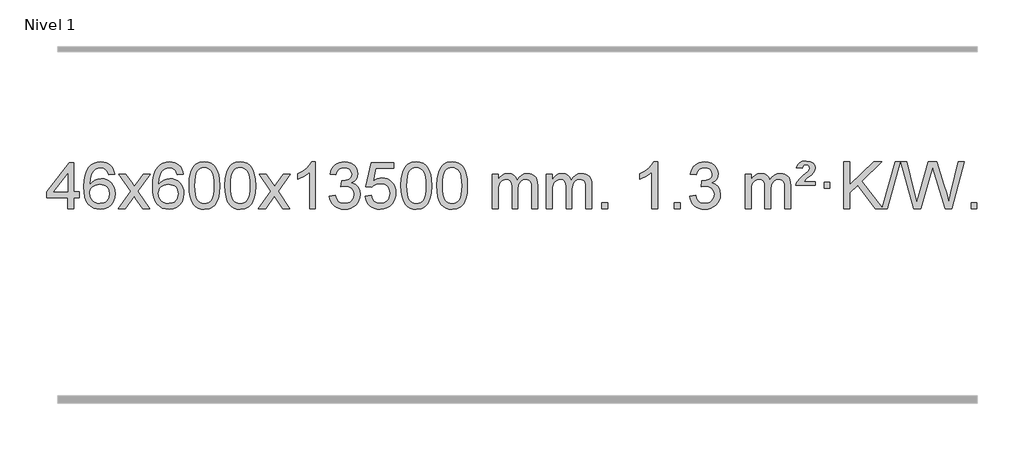
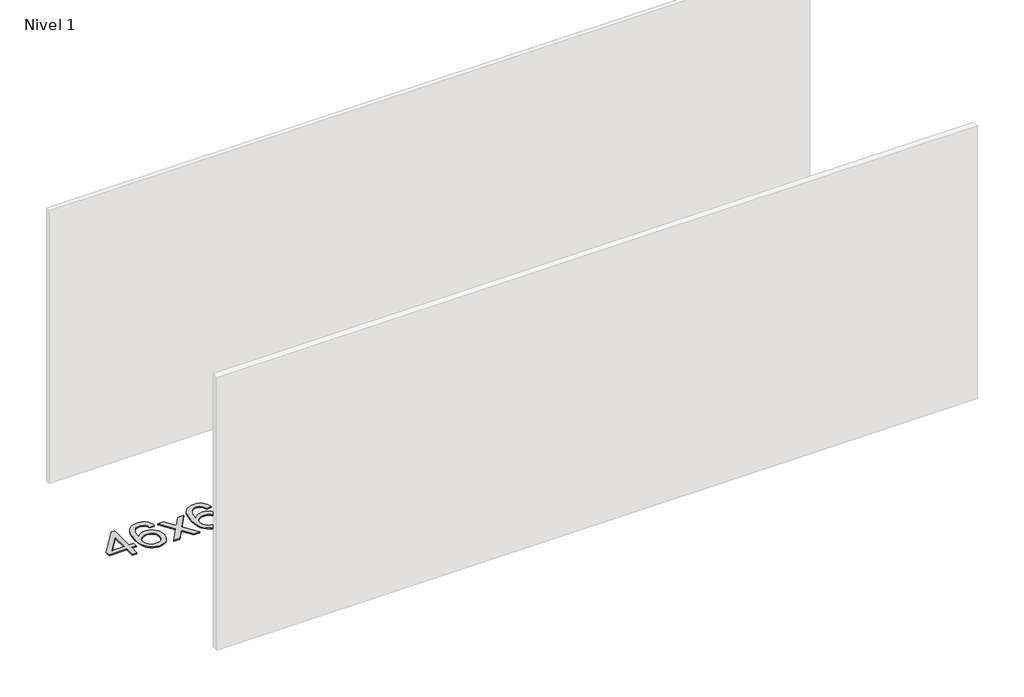
# One storey, part 7 of 7: 1 proxy.
"""IFC4 building model written with IfcOpenShell, lengths in millimetres."""

from ifc_helpers import new_model, si_unit, origin, origin_with_axes, place, context, project, spatial, polyline, outline, extrude, element, save

model = new_model("IFC4")

# Units and contexts
model_context = context("Model", 3, world=origin())
ifc_project = project(units=[si_unit("LENGTHUNIT", "METRE", prefix="MILLI")], contexts=[model_context])

# Site, building, storey
site = spatial("IfcSite", under=ifc_project)
building = spatial("IfcBuilding", under=site)
storey = spatial("IfcBuildingStorey", under=building, Name="Nivel 1", Elevation=0.0)

# Proxy
placement = place(None, origin())
element("IfcBuildingElementProxy", 1, Name="Texto de modelo 1", ObjectType="Texto de modelo 1", at=placement, inside=storey, context=model_context, shape_type="SweptSolid", body=[
    extrude(outline(polyline([(-6446.7519314, 2608.420547), (-6446.7519314, 2702.5983378), (-6628.8289935, 2702.5983378), (-6628.8289935, 2752.8264928), (-6434.1948926, 3003.9672682), (-6396.5237763, 3003.9672682), (-6396.5237763, 2752.8264928), (-6346.2956212, 2752.8264928), (-6346.2956212, 2702.5983378), (-6396.5237763, 2702.5983378), (-6396.5237763, 2608.420547), (-6446.7519314, 2608.420547)]), holes=[polyline([(-6446.7519314, 2752.8264928), (-6446.7519314, 2908.0236439), (-6567.0248183, 2752.8264928), (-6446.7519314, 2752.8264928)])]), origin_with_axes(), (0.0, 0.0, 1.0), 10.0),
    extrude(outline(polyline([(-6044.9266908, 2903.5109581), (-6095.1548459, 2897.2324387), (-6103.2482498, 2922.125787), (-6114.1866077, 2939.1219352), (-6136.970766, 2954.7937082), (-6164.5128647, 2960.0176325), (-6187.8611086, 2956.9764747), (-6209.8359265, 2947.8530012), (-6228.7082728, 2928.6372983), (-6244.1225284, 2902.1865829), (-6254.5335889, 2864.772984), (-6258.3963499, 2812.6686307), (-6238.2486793, 2836.1762902), (-6214.1033576, 2852.7432427), (-6187.3092857, 2862.565692), (-6159.215364, 2865.8398418), (-6135.0823051, 2863.601893), (-6112.8131816, 2856.8880466), (-6092.4079936, 2845.6983025), (-6073.8667411, 2830.0326609), (-6058.4586168, 2810.8230894), (-6047.4528138, 2789.0015557), (-6040.849332, 2764.5680599), (-6038.6481714, 2737.5226018), (-6042.7929752, 2701.5560055), (-6055.2273867, 2668.213634), (-6074.9213361, 2639.9357713), (-6100.8447541, 2619.1627013), (-6131.820418, 2606.397196), (-6166.6711057, 2602.1420276), (-6196.6136344, 2604.9624563), (-6223.6560268, 2613.4237421), (-6247.7982827, 2627.5258853), (-6269.0404022, 2647.2688857), (-6286.3584472, 2673.4866092), (-6298.7284793, 2707.0129217), (-6306.1504985, 2747.8478232), (-6308.6245049, 2795.9913136), (-6305.8776527, 2849.9657337), (-6297.637096, 2896.0306908), (-6283.9028349, 2934.1861851), (-6264.6748692, 2964.4322165), (-6243.8343542, 2984.4756538), (-6219.6706385, 2998.7923948), (-6192.1837221, 3007.3824394), (-6161.373605, 3010.2457876), (-6138.2399589, 3008.4738227), (-6117.301342, 3003.1579278), (-6098.5577543, 2994.2981031), (-6082.0091959, 2981.8943485), (-6068.1032565, 2966.3635969), (-6057.2875258, 2948.1227814), (-6049.5620039, 2927.1719017), (-6044.9266908, 2903.5109581)]), holes=[polyline([(-6258.3963499, 2738.3074168), (-6255.4900821, 2716.0505561), (-6246.7712788, 2694.7992395), (-6233.2332214, 2676.527767), (-6215.8691912, 2663.2104388), (-6194.9121802, 2655.0802467), (-6170.5951803, 2652.3701827), (-6137.4490126, 2657.9865145), (-6123.5338761, 2665.0069292), (-6111.3907046, 2674.8355099), (-6101.5406642, 2687.0737176), (-6094.504921, 2701.3230135), (-6088.8763265, 2735.8548701), (-6094.4313446, 2769.0010379), (-6101.3751173, 2782.6218688), (-6111.096399, 2794.274531), (-6123.2763587, 2803.6095366), (-6137.5961654, 2810.2773978), (-6172.6553195, 2815.6116867), (-6205.7524363, 2810.2773978), (-6233.4294251, 2794.274531), (-6244.3524547, 2782.7751529), (-6252.1546187, 2769.6141746), (-6256.8359171, 2754.7915958), (-6258.3963499, 2738.3074168)])]), origin_with_axes(), (0.0, 0.0, 1.0), 10.0),
    extrude(outline(polyline([(-6013.5340939, 2608.420547), (-5906.2106531, 2756.7505675), (-6007.2555745, 2903.5109581), (-5946.8248254, 2903.5109581), (-5898.0681983, 2832.877615), (-5875.3085655, 2799.5229808), (-5855.5900906, 2826.7952993), (-5800.0644348, 2903.5109581), (-5739.6336857, 2903.5109581), (-5845.7799041, 2756.7505675), (-5743.5577603, 2608.420547), (-5803.9885094, 2608.420547), (-5865.498379, 2697.5951426), (-5876.7800935, 2713.8800523), (-5953.1033448, 2608.420547), (-6013.5340939, 2608.420547)])), origin_with_axes(), (0.0, 0.0, 1.0), 10.0),
    extrude(outline(polyline([(-5454.7458687, 2903.5109581), (-5504.9740237, 2897.2324387), (-5513.0674276, 2922.125787), (-5524.0057856, 2939.1219352), (-5546.7899439, 2954.7937082), (-5574.3320426, 2960.0176325), (-5597.6802865, 2956.9764747), (-5619.6551044, 2947.8530012), (-5638.5274507, 2928.6372983), (-5653.9417063, 2902.1865829), (-5664.3527668, 2864.772984), (-5668.2155277, 2812.6686307), (-5648.0678571, 2836.1762902), (-5623.9225355, 2852.7432427), (-5597.1284635, 2862.565692), (-5569.0345418, 2865.8398418), (-5544.9014829, 2863.601893), (-5522.6323595, 2856.8880466), (-5502.2271715, 2845.6983025), (-5483.6859189, 2830.0326609), (-5468.2777947, 2810.8230894), (-5457.2719917, 2789.0015557), (-5450.6685099, 2764.5680599), (-5448.4673493, 2737.5226018), (-5452.6121531, 2701.5560055), (-5465.0465645, 2668.213634), (-5484.740514, 2639.9357713), (-5510.6639319, 2619.1627013), (-5541.6395959, 2606.397196), (-5576.4902836, 2602.1420276), (-5606.4328123, 2604.9624563), (-5633.4752046, 2613.4237421), (-5657.6174606, 2627.5258853), (-5678.8595801, 2647.2688857), (-5696.177625, 2673.4866092), (-5708.5476571, 2707.0129217), (-5715.9696764, 2747.8478232), (-5718.4436828, 2795.9913136), (-5715.6968306, 2849.9657337), (-5707.4562739, 2896.0306908), (-5693.7220127, 2934.1861851), (-5674.4940471, 2964.4322165), (-5653.6535321, 2984.4756538), (-5629.4898164, 2998.7923948), (-5602.0029, 3007.3824394), (-5571.1927829, 3010.2457876), (-5548.0591367, 3008.4738227), (-5527.1205198, 3003.1579278), (-5508.3769322, 2994.2981031), (-5491.8283738, 2981.8943485), (-5477.9224344, 2966.3635969), (-5467.1067037, 2948.1227814), (-5459.3811818, 2927.1719017), (-5454.7458687, 2903.5109581)]), holes=[polyline([(-5668.2155277, 2738.3074168), (-5665.30926, 2716.0505561), (-5656.5904567, 2694.7992395), (-5643.0523993, 2676.527767), (-5625.6883691, 2663.2104388), (-5604.7313581, 2655.0802467), (-5580.4143582, 2652.3701827), (-5547.2681904, 2657.9865145), (-5533.353054, 2665.0069292), (-5521.2098825, 2674.8355099), (-5511.359842, 2687.0737176), (-5504.3240989, 2701.3230135), (-5498.6955043, 2735.8548701), (-5504.2505225, 2769.0010379), (-5511.1942951, 2782.6218688), (-5520.9155769, 2794.274531), (-5533.0955366, 2803.6095366), (-5547.4153432, 2810.2773978), (-5582.4744974, 2815.6116867), (-5615.5716142, 2810.2773978), (-5643.248603, 2794.274531), (-5654.1716326, 2782.7751529), (-5661.9737965, 2769.6141746), (-5666.6550949, 2754.7915958), (-5668.2155277, 2738.3074168)])]), origin_with_axes(), (0.0, 0.0, 1.0), 10.0),
    extrude(outline(polyline([(-5404.5177136, 2806.0958057), (-5400.8266309, 2870.4138412), (-5389.7533828, 2921.7088541), (-5371.408334, 2960.7656593), (-5359.550271, 2975.9990395), (-5345.901849, 2988.3690716), (-5330.4170827, 2997.9401349), (-5313.0499869, 3004.7766086), (-5272.6688065, 3010.2457876), (-5241.717668, 3007.008426), (-5214.003891, 2997.2963414), (-5190.8273253, 2981.4896783), (-5173.4878206, 2959.9685816), (-5160.3912216, 2932.9169922), (-5149.9433729, 2900.5188512), (-5143.1007678, 2859.3773814), (-5140.8198994, 2806.0958057), (-5144.4741939, 2742.1456523), (-5155.4370774, 2690.9732667), (-5173.6717616, 2651.8796734), (-5185.5022334, 2636.6003078), (-5199.1414584, 2624.1658964), (-5214.6446188, 2614.5304538), (-5232.066897, 2607.6479948), (-5272.6688065, 2602.1420276), (-5300.3335326, 2604.5332606), (-5324.8589989, 2611.7069595), (-5346.2452055, 2623.6631243), (-5364.4921525, 2640.4017551), (-5382.0033355, 2670.6600492), (-5394.5113233, 2708.3618224), (-5402.016116, 2753.5070745), (-5404.5177136, 2806.0958057)]), holes=[polyline([(-5354.2895585, 2806.1939076), (-5352.8180305, 2762.5293805), (-5348.4034466, 2727.1851178), (-5341.0458067, 2700.1611196), (-5330.7451108, 2681.4573858), (-5318.2861739, 2668.7317344), (-5304.4538109, 2659.6419835), (-5289.2480218, 2654.1881329), (-5272.6688065, 2652.3701827), (-5256.0895913, 2654.1942643), (-5240.8838021, 2659.6665089), (-5227.0514391, 2668.7869167), (-5214.5925022, 2681.5554876), (-5204.2918063, 2700.2898783), (-5196.9341664, 2727.3077451), (-5192.5195825, 2762.6090882), (-5191.0480545, 2806.1939076), (-5192.4705316, 2848.7026722), (-5196.7379627, 2883.4246011), (-5203.8503479, 2910.3596945), (-5213.8076873, 2929.5079524), (-5226.0581577, 2942.8559375), (-5240.0499363, 2952.3902125), (-5255.7830229, 2958.1107775), (-5273.2574177, 2960.0176325), (-5289.7507938, 2958.3376381), (-5304.6990656, 2953.2976548), (-5318.1022329, 2944.8976825), (-5329.9602959, 2933.1377214), (-5340.6043483, 2912.291075), (-5348.2072429, 2884.1848906), (-5352.7689796, 2848.8191681), (-5354.2895585, 2806.1939076)])]), origin_with_axes(), (0.0, 0.0, 1.0), 10.0),
    extrude(outline(polyline([(-5096.8702638, 2806.0958057), (-5093.1791811, 2870.4138412), (-5082.105933, 2921.7088541), (-5063.7608842, 2960.7656593), (-5051.9028212, 2975.9990395), (-5038.2543992, 2988.3690716), (-5022.7696329, 2997.9401349), (-5005.402537, 3004.7766086), (-4965.0213567, 3010.2457876), (-4934.0702182, 3007.008426), (-4906.3564412, 2997.2963414), (-4883.1798755, 2981.4896783), (-4865.8403708, 2959.9685816), (-4852.7437718, 2932.9169922), (-4842.2959231, 2900.5188512), (-4835.453318, 2859.3773814), (-4833.1724496, 2806.0958057), (-4836.8267441, 2742.1456523), (-4847.7896275, 2690.9732667), (-4866.0243118, 2651.8796734), (-4877.8547836, 2636.6003078), (-4891.4940086, 2624.1658964), (-4906.997169, 2614.5304538), (-4924.4194471, 2607.6479948), (-4965.0213567, 2602.1420276), (-4992.6860827, 2604.5332606), (-5017.2115491, 2611.7069595), (-5038.5977557, 2623.6631243), (-5056.8447027, 2640.4017551), (-5074.3558856, 2670.6600492), (-5086.8638735, 2708.3618224), (-5094.3686662, 2753.5070745), (-5096.8702638, 2806.0958057)]), holes=[polyline([(-5046.6421087, 2806.1939076), (-5045.1705807, 2762.5293805), (-5040.7559968, 2727.1851178), (-5033.3983568, 2700.1611196), (-5023.097661, 2681.4573858), (-5010.6387241, 2668.7317344), (-4996.8063611, 2659.6419835), (-4981.6005719, 2654.1881329), (-4965.0213567, 2652.3701827), (-4948.4421414, 2654.1942643), (-4933.2363523, 2659.6665089), (-4919.4039893, 2668.7869167), (-4906.9450524, 2681.5554876), (-4896.6443565, 2700.2898783), (-4889.2867166, 2727.3077451), (-4884.8721327, 2762.6090882), (-4883.4006047, 2806.1939076), (-4884.8230817, 2848.7026722), (-4889.0905129, 2883.4246011), (-4896.2028981, 2910.3596945), (-4906.1602375, 2929.5079524), (-4918.4107079, 2942.8559375), (-4932.4024864, 2952.3902125), (-4948.1355731, 2958.1107775), (-4965.6099679, 2960.0176325), (-4982.103344, 2958.3376381), (-4997.0516157, 2953.2976548), (-5010.4547831, 2944.8976825), (-5022.3128461, 2933.1377214), (-5032.9568985, 2912.291075), (-5040.559793, 2884.1848906), (-5045.1215298, 2848.8191681), (-5046.6421087, 2806.1939076)])]), origin_with_axes(), (0.0, 0.0, 1.0), 10.0),
    extrude(outline(polyline([(-4808.0583721, 2608.420547), (-4700.7349313, 2756.7505675), (-4801.7798527, 2903.5109581), (-4741.3491036, 2903.5109581), (-4692.5924765, 2832.877615), (-4669.8328437, 2799.5229808), (-4650.1143688, 2826.7952993), (-4594.588713, 2903.5109581), (-4534.1579639, 2903.5109581), (-4640.3041823, 2756.7505675), (-4538.0820385, 2608.420547), (-4598.5127876, 2608.420547), (-4660.0226572, 2697.5951426), (-4671.3043717, 2713.8800523), (-4747.627623, 2608.420547), (-4808.0583721, 2608.420547)])), origin_with_axes(), (0.0, 0.0, 1.0), 10.0),
    extrude(outline(polyline([(-4318.3338601, 2608.420547), (-4368.5620152, 2608.420547), (-4368.5620152, 2921.5617013), (-4389.5312889, 2904.6023413), (-4416.1414199, 2887.6675068), (-4469.0183253, 2862.3081746), (-4469.0183253, 2909.7894775), (-4429.5691127, 2931.2492605), (-4395.3928753, 2956.780271), (-4368.4516506, 2983.9299622), (-4350.7074757, 3010.2457876), (-4318.3338601, 3010.2457876), (-4318.3338601, 2608.420547)])), origin_with_axes(), (0.0, 0.0, 1.0), 10.0),
    extrude(outline(polyline([(-4199.0419918, 2715.1553765), (-4148.8138367, 2721.4338959), (-4137.5689104, 2689.8696207), (-4121.1000597, 2668.5569905), (-4098.5979444, 2656.4168846), (-4069.2532239, 2652.3701827), (-4034.8194691, 2657.9374636), (-4020.5456477, 2664.8965646), (-4008.2338636, 2674.6393061), (-3991.2377154, 2699.5571799), (-3985.5723327, 2729.7725545), (-3991.1886645, 2758.4550874), (-4008.0376599, 2781.7174922), (-4033.5441449, 2797.1317478), (-4065.1329455, 2802.269833), (-4100.3515152, 2796.7761285), (-4094.7597089, 2847.0042836), (-4086.7153559, 2846.4156724), (-4056.6226087, 2850.020916), (-4029.7181721, 2860.8366466), (-4018.6449241, 2869.0158897), (-4010.7354612, 2879.1326445), (-4005.9897835, 2891.1869112), (-4004.4078909, 2905.1786898), (-4008.9941531, 2926.8714648), (-4022.7529397, 2944.4684869), (-4043.7467389, 2956.1303461), (-4070.0380388, 2960.0176325), (-4096.3783897, 2956.0935579), (-4117.9117491, 2944.3213341), (-4133.632573, 2924.700961), (-4142.5353173, 2897.2324387), (-4192.7634724, 2903.5109581), (-4186.8099154, 2927.4907328), (-4177.9746162, 2948.6132907), (-4166.2575747, 2966.8786317), (-4151.6587908, 2982.286756), (-4134.6381172, 2994.5188323), (-4115.6554062, 3003.2560297), (-4094.710658, 3008.4983481), (-4071.8038724, 3010.2457876), (-4040.2273345, 3006.7999596), (-4011.2259705, 2996.4624755), (-3986.7740806, 2980.1530404), (-3968.8459647, 2958.7913592), (-3957.846293, 2934.1800537), (-3954.1797358, 2908.1217457), (-3957.662352, 2883.8415341), (-3968.1102007, 2861.8176653), (-3985.376129, 2843.0556835), (-4009.3129841, 2828.5611329), (-3977.8713363, 2815.8569414), (-3954.5721433, 2794.22548), (-3940.151169, 2764.8439714), (-3935.3441776, 2728.8896377), (-3937.7476733, 2703.4076782), (-3944.9581605, 2679.9368069), (-3956.975639, 2658.4770238), (-3973.8001089, 2639.028329), (-3994.2972674, 2622.8905722), (-4017.3328116, 2611.363603), (-4042.9067417, 2604.4474215), (-4071.0190575, 2602.1420276), (-4096.4274406, 2604.1101963), (-4119.5794808, 2610.0147023), (-4140.4751782, 2619.8555457), (-4159.1145326, 2633.6327264), (-4174.743386, 2650.5369041), (-4186.6075804, 2669.7587383), (-4194.7071156, 2691.2982292), (-4199.0419918, 2715.1553765)])), origin_with_axes(), (0.0, 0.0, 1.0), 10.0),
    extrude(outline(polyline([(-3891.394542, 2715.1553765), (-3841.1663869, 2721.4338959), (-3831.9448115, 2691.2798351), (-3815.8561056, 2669.6851619), (-3792.9738455, 2656.6989275), (-3763.3716076, 2652.3701827), (-3744.2417439, 2653.8754332), (-3727.368223, 2658.3911847), (-3712.7510451, 2665.9174372), (-3700.3902101, 2676.4541906), (-3690.5616294, 2689.480279), (-3683.5412147, 2704.4745359), (-3677.9248829, 2740.3675559), (-3683.1855954, 2774.1636486), (-3689.7614861, 2788.0818507), (-3698.967733, 2800.0134901), (-3710.834993, 2809.5845533), (-3725.393923, 2816.4210271), (-3762.5867927, 2821.8902061), (-3786.9528435, 2819.7074396), (-3806.6835812, 2813.1591401), (-3822.4411933, 2803.1282243), (-3834.8878675, 2790.4976092), (-3885.1160226, 2796.7761285), (-3841.1663869, 3003.9672682), (-3646.532286, 3003.9672682), (-3646.532286, 2953.7391131), (-3800.5522146, 2953.7391131), (-3822.0365231, 2843.080209), (-3804.3107423, 2855.7844006), (-3786.1557659, 2864.8588231), (-3767.5715937, 2870.3034766), (-3748.558226, 2872.1183612), (-3724.097139, 2869.8681496), (-3701.6287461, 2863.117515), (-3681.1530474, 2851.8664573), (-3662.6700428, 2836.1149766), (-3647.3692175, 2816.8256973), (-3636.4400566, 2794.961244), (-3629.88256, 2770.5216168), (-3627.6967278, 2743.5068156), (-3629.6648965, 2717.4852958), (-3635.5694025, 2693.2786606), (-3645.4102459, 2670.8869098), (-3659.1874266, 2650.3100435), (-3680.0585985, 2629.2365366), (-3704.4123865, 2614.1840316), (-3732.2487908, 2605.1525286), (-3763.5678114, 2602.1420276), (-3789.4881636, 2604.0764738), (-3812.9007869, 2609.8798123), (-3833.8056813, 2619.552043), (-3852.2028467, 2633.0931662), (-3867.5098034, 2649.8287312), (-3879.1440715, 2669.084288), (-3887.105651, 2690.8598364), (-3891.394542, 2715.1553765)])), origin_with_axes(), (0.0, 0.0, 1.0), 10.0),
    extrude(outline(polyline([(-3583.7470921, 2806.0958057), (-3580.0560094, 2870.4138412), (-3568.9827614, 2921.7088541), (-3550.6377126, 2960.7656593), (-3538.7796496, 2975.9990395), (-3525.1312276, 2988.3690716), (-3509.6464612, 2997.9401349), (-3492.2793654, 3004.7766086), (-3451.8981851, 3010.2457876), (-3420.9470465, 3007.008426), (-3393.2332696, 2997.2963414), (-3370.0567039, 2981.4896783), (-3352.7171992, 2959.9685816), (-3339.6206001, 2932.9169922), (-3329.1727515, 2900.5188512), (-3322.3301463, 2859.3773814), (-3320.049278, 2806.0958057), (-3323.7035725, 2742.1456523), (-3334.6664559, 2690.9732667), (-3352.9011401, 2651.8796734), (-3364.731612, 2636.6003078), (-3378.3708369, 2624.1658964), (-3393.8739974, 2614.5304538), (-3411.2962755, 2607.6479948), (-3451.8981851, 2602.1420276), (-3479.5629111, 2604.5332606), (-3504.0883774, 2611.7069595), (-3525.4745841, 2623.6631243), (-3543.721531, 2640.4017551), (-3561.232714, 2670.6600492), (-3573.7407019, 2708.3618224), (-3581.2454946, 2753.5070745), (-3583.7470921, 2806.0958057)]), holes=[polyline([(-3533.518937, 2806.1939076), (-3532.0474091, 2762.5293805), (-3527.6328251, 2727.1851178), (-3520.2751852, 2700.1611196), (-3509.9744894, 2681.4573858), (-3497.5155525, 2668.7317344), (-3483.6831894, 2659.6419835), (-3468.4774003, 2654.1881329), (-3451.8981851, 2652.3701827), (-3435.3189698, 2654.1942643), (-3420.1131807, 2659.6665089), (-3406.2808176, 2668.7869167), (-3393.8218807, 2681.5554876), (-3383.5211849, 2700.2898783), (-3376.163545, 2727.3077451), (-3371.748961, 2762.6090882), (-3370.2774331, 2806.1939076), (-3371.6999101, 2848.7026722), (-3375.9673412, 2883.4246011), (-3383.0797265, 2910.3596945), (-3393.0370658, 2929.5079524), (-3405.2875363, 2942.8559375), (-3419.2793148, 2952.3902125), (-3435.0124015, 2958.1107775), (-3452.4867962, 2960.0176325), (-3468.9801724, 2958.3376381), (-3483.9284441, 2953.2976548), (-3497.3316115, 2944.8976825), (-3509.1896744, 2933.1377214), (-3519.8337268, 2912.291075), (-3527.4366214, 2884.1848906), (-3531.9983581, 2848.8191681), (-3533.518937, 2806.1939076)])]), origin_with_axes(), (0.0, 0.0, 1.0), 10.0),
    extrude(outline(polyline([(-3276.0996423, 2806.0958057), (-3272.4085596, 2870.4138412), (-3261.3353115, 2921.7088541), (-3242.9902627, 2960.7656593), (-3231.1321997, 2975.9990395), (-3217.4837777, 2988.3690716), (-3201.9990114, 2997.9401349), (-3184.6319156, 3004.7766086), (-3144.2507352, 3010.2457876), (-3113.2995967, 3007.008426), (-3085.5858197, 2997.2963414), (-3062.409254, 2981.4896783), (-3045.0697493, 2959.9685816), (-3031.9731503, 2932.9169922), (-3021.5253016, 2900.5188512), (-3014.6826965, 2859.3773814), (-3012.4018281, 2806.0958057), (-3016.0561226, 2742.1456523), (-3027.0190061, 2690.9732667), (-3045.2536903, 2651.8796734), (-3057.0841621, 2636.6003078), (-3070.7233871, 2624.1658964), (-3086.2265475, 2614.5304538), (-3103.6488257, 2607.6479948), (-3144.2507352, 2602.1420276), (-3171.9154613, 2604.5332606), (-3196.4409276, 2611.7069595), (-3217.8271343, 2623.6631243), (-3236.0740812, 2640.4017551), (-3253.5852642, 2670.6600492), (-3266.093252, 2708.3618224), (-3273.5980447, 2753.5070745), (-3276.0996423, 2806.0958057)]), holes=[polyline([(-3225.8714872, 2806.1939076), (-3224.3999592, 2762.5293805), (-3219.9853753, 2727.1851178), (-3212.6277354, 2700.1611196), (-3202.3270395, 2681.4573858), (-3189.8681026, 2668.7317344), (-3176.0357396, 2659.6419835), (-3160.8299505, 2654.1881329), (-3144.2507352, 2652.3701827), (-3127.67152, 2654.1942643), (-3112.4657308, 2659.6665089), (-3098.6333678, 2668.7869167), (-3086.1744309, 2681.5554876), (-3075.873735, 2700.2898783), (-3068.5160951, 2727.3077451), (-3064.1015112, 2762.6090882), (-3062.6299832, 2806.1939076), (-3064.0524603, 2848.7026722), (-3068.3198914, 2883.4246011), (-3075.4322767, 2910.3596945), (-3085.389616, 2929.5079524), (-3097.6400864, 2942.8559375), (-3111.631865, 2952.3902125), (-3127.3649516, 2958.1107775), (-3144.8393464, 2960.0176325), (-3161.3327225, 2958.3376381), (-3176.2809943, 2953.2976548), (-3189.6841616, 2944.8976825), (-3201.5422246, 2933.1377214), (-3212.186277, 2912.291075), (-3219.7891716, 2884.1848906), (-3224.3509083, 2848.8191681), (-3225.8714872, 2806.1939076)])]), origin_with_axes(), (0.0, 0.0, 1.0), 10.0),
    extrude(outline(polyline([(-2798.9321691, 2608.420547), (-2798.9321691, 2903.5109581), (-2748.704014, 2903.5109581), (-2748.704014, 2854.9505347), (-2733.5963267, 2877.2564463), (-2714.1721574, 2894.7308411), (-2691.0936936, 2906.0248184), (-2665.0231228, 2909.7894775), (-2637.0886167, 2905.951242), (-2614.6968659, 2894.4365355), (-2597.9704978, 2876.0056476), (-2587.0321399, 2851.4188676), (-2568.7238792, 2876.9560094), (-2547.8404446, 2895.196825), (-2524.3818361, 2906.1413143), (-2498.3480536, 2909.7894775), (-2478.2402368, 2908.2719642), (-2460.5910981, 2903.7194245), (-2445.4006374, 2896.1318584), (-2432.6688547, 2885.5092658), (-2422.6042164, 2871.7290194), (-2415.4151891, 2854.6684918), (-2411.1017727, 2834.3276832), (-2409.6639672, 2810.7065934), (-2409.6639672, 2608.420547), (-2459.8921223, 2608.420547), (-2459.8921223, 2789.124183), (-2461.057082, 2814.1769469), (-2464.5519609, 2831.0627305), (-2471.1002604, 2842.6264879), (-2481.4254818, 2851.7131732), (-2494.7060218, 2857.5992851), (-2510.1202774, 2859.5613224), (-2537.3312823, 2854.5336018), (-2559.5145666, 2839.45044), (-2568.1199396, 2827.8805512), (-2574.2666346, 2813.2817674), (-2579.1839906, 2774.9975144), (-2579.1839906, 2608.420547), (-2629.4121457, 2608.420547), (-2629.4121457, 2794.7159894), (-2632.3184135, 2823.1164794), (-2641.0372167, 2843.3745146), (-2656.3778959, 2855.5146204), (-2679.1497914, 2859.5613224), (-2698.5003844, 2856.8635211), (-2716.3303984, 2848.7701172), (-2731.0456782, 2835.4773144), (-2741.0520685, 2817.1813165), (-2746.7910276, 2791.7974589), (-2748.704014, 2757.2410768), (-2748.704014, 2608.420547), (-2798.9321691, 2608.420547)])), origin_with_axes(), (0.0, 0.0, 1.0), 10.0),
    extrude(outline(polyline([(-2334.3217346, 2608.420547), (-2334.3217346, 2903.5109581), (-2284.0935796, 2903.5109581), (-2284.0935796, 2854.9505347), (-2268.9858923, 2877.2564463), (-2249.5617229, 2894.7308411), (-2226.4832591, 2906.0248184), (-2200.4126884, 2909.7894775), (-2172.4781822, 2905.951242), (-2150.0864315, 2894.4365355), (-2133.3600634, 2876.0056476), (-2122.4217054, 2851.4188676), (-2104.1134448, 2876.9560094), (-2083.2300102, 2895.196825), (-2059.7714016, 2906.1413143), (-2033.7376191, 2909.7894775), (-2013.6298024, 2908.2719642), (-1995.9806637, 2903.7194245), (-1980.790203, 2896.1318584), (-1968.0584202, 2885.5092658), (-1957.993782, 2871.7290194), (-1950.8047547, 2854.6684918), (-1946.4913383, 2834.3276832), (-1945.0535328, 2810.7065934), (-1945.0535328, 2608.420547), (-1995.2816879, 2608.420547), (-1995.2816879, 2789.124183), (-1996.4466475, 2814.1769469), (-1999.9415265, 2831.0627305), (-2006.489826, 2842.6264879), (-2016.8150473, 2851.7131732), (-2030.0955874, 2857.5992851), (-2045.509843, 2859.5613224), (-2072.7208479, 2854.5336018), (-2094.9041322, 2839.45044), (-2103.5095052, 2827.8805512), (-2109.6562002, 2813.2817674), (-2114.5735562, 2774.9975144), (-2114.5735562, 2608.420547), (-2164.8017113, 2608.420547), (-2164.8017113, 2794.7159894), (-2167.707979, 2823.1164794), (-2176.4267823, 2843.3745146), (-2191.7674615, 2855.5146204), (-2214.539357, 2859.5613224), (-2233.88995, 2856.8635211), (-2251.719964, 2848.7701172), (-2266.4352438, 2835.4773144), (-2276.4416341, 2817.1813165), (-2282.1805932, 2791.7974589), (-2284.0935796, 2757.2410768), (-2284.0935796, 2608.420547), (-2334.3217346, 2608.420547)])), origin_with_axes(), (0.0, 0.0, 1.0), 10.0),
    extrude(outline(polyline([(-1857.1542614, 2608.420547), (-1857.1542614, 2658.6487021), (-1806.9261064, 2658.6487021), (-1806.9261064, 2608.420547), (-1857.1542614, 2608.420547)])), origin_with_axes(), (0.0, 0.0, 1.0), 10.0),
    extrude(outline(polyline([(-1379.9867882, 2608.420547), (-1430.2149433, 2608.420547), (-1430.2149433, 2921.5617013), (-1451.184217, 2904.6023413), (-1477.794348, 2887.6675068), (-1530.6712534, 2862.3081746), (-1530.6712534, 2909.7894775), (-1491.2220408, 2931.2492605), (-1457.0458035, 2956.780271), (-1430.1045787, 2983.9299622), (-1412.3604038, 3010.2457876), (-1379.9867882, 3010.2457876), (-1379.9867882, 2608.420547)])), origin_with_axes(), (0.0, 0.0, 1.0), 10.0),
    extrude(outline(polyline([(-1235.5808424, 2608.420547), (-1235.5808424, 2658.6487021), (-1185.3526873, 2658.6487021), (-1185.3526873, 2608.420547), (-1235.5808424, 2608.420547)])), origin_with_axes(), (0.0, 0.0, 1.0), 10.0),
    extrude(outline(polyline([(-1103.7319353, 2715.1553765), (-1053.5037802, 2721.4338959), (-1042.2588539, 2689.8696207), (-1025.7900033, 2668.5569905), (-1003.2878879, 2656.4168846), (-973.9431674, 2652.3701827), (-939.5094127, 2657.9374636), (-925.2355912, 2664.8965646), (-912.9238071, 2674.6393061), (-895.927659, 2699.5571799), (-890.2622762, 2729.7725545), (-895.878608, 2758.4550874), (-912.7276034, 2781.7174922), (-938.2340884, 2797.1317478), (-969.8228891, 2802.269833), (-1005.0414587, 2796.7761285), (-999.4496524, 2847.0042836), (-991.4052994, 2846.4156724), (-961.3125522, 2850.020916), (-934.4081157, 2860.8366466), (-923.3348676, 2869.0158897), (-915.4254047, 2879.1326445), (-910.679727, 2891.1869112), (-909.0978344, 2905.1786898), (-913.6840966, 2926.8714648), (-927.4428832, 2944.4684869), (-948.4366824, 2956.1303461), (-974.7279823, 2960.0176325), (-1001.0683332, 2956.0935579), (-1022.6016926, 2944.3213341), (-1038.3225166, 2924.700961), (-1047.2252608, 2897.2324387), (-1097.4534159, 2903.5109581), (-1091.499859, 2927.4907328), (-1082.6645597, 2948.6132907), (-1070.9475182, 2966.8786317), (-1056.3487343, 2982.286756), (-1039.3280607, 2994.5188323), (-1020.3453497, 3003.2560297), (-999.4006015, 3008.4983481), (-976.4938159, 3010.2457876), (-944.917278, 3006.7999596), (-915.915914, 2996.4624755), (-891.4640241, 2980.1530404), (-873.5359082, 2958.7913592), (-862.5362365, 2934.1800537), (-858.8696793, 2908.1217457), (-862.3522955, 2883.8415341), (-872.8001442, 2861.8176653), (-890.0660725, 2843.0556835), (-914.0029277, 2828.5611329), (-882.5612798, 2815.8569414), (-859.2620868, 2794.22548), (-844.8411126, 2764.8439714), (-840.0341212, 2728.8896377), (-842.4376169, 2703.4076782), (-849.648104, 2679.9368069), (-861.6655825, 2658.4770238), (-878.4900524, 2639.028329), (-898.9872109, 2622.8905722), (-922.0227552, 2611.363603), (-947.5966852, 2604.4474215), (-975.709001, 2602.1420276), (-1001.1173841, 2604.1101963), (-1024.2694243, 2610.0147023), (-1045.1651217, 2619.8555457), (-1063.8044761, 2633.6327264), (-1079.4333295, 2650.5369041), (-1091.2975239, 2669.7587383), (-1099.3970591, 2691.2982292), (-1103.7319353, 2715.1553765)])), origin_with_axes(), (0.0, 0.0, 1.0), 10.0),
    extrude(outline(polyline([(-626.5644621, 2608.420547), (-626.5644621, 2903.5109581), (-576.336307, 2903.5109581), (-576.336307, 2854.9505347), (-561.2286197, 2877.2564463), (-541.8044504, 2894.7308411), (-518.7259866, 2906.0248184), (-492.6554158, 2909.7894775), (-464.7209097, 2905.951242), (-442.3291589, 2894.4365355), (-425.6027909, 2876.0056476), (-414.6644329, 2851.4188676), (-396.3561722, 2876.9560094), (-375.4727377, 2895.196825), (-352.0141291, 2906.1413143), (-325.9803466, 2909.7894775), (-305.8725298, 2908.2719642), (-288.2233911, 2903.7194245), (-273.0329304, 2896.1318584), (-260.3011477, 2885.5092658), (-250.2365094, 2871.7290194), (-243.0474821, 2854.6684918), (-238.7340657, 2834.3276832), (-237.2962603, 2810.7065934), (-237.2962603, 2608.420547), (-287.5244153, 2608.420547), (-287.5244153, 2789.124183), (-288.689375, 2814.1769469), (-292.1842539, 2831.0627305), (-298.7325535, 2842.6264879), (-309.0577748, 2851.7131732), (-322.3383148, 2857.5992851), (-337.7525704, 2859.5613224), (-364.9635753, 2854.5336018), (-387.1468596, 2839.45044), (-395.7522326, 2827.8805512), (-401.8989276, 2813.2817674), (-406.8162836, 2774.9975144), (-406.8162836, 2608.420547), (-457.0444387, 2608.420547), (-457.0444387, 2794.7159894), (-459.9507065, 2823.1164794), (-468.6695098, 2843.3745146), (-484.010189, 2855.5146204), (-506.7820845, 2859.5613224), (-526.1326774, 2856.8635211), (-543.9626914, 2848.7701172), (-558.6779713, 2835.4773144), (-568.6843615, 2817.1813165), (-574.4233206, 2791.7974589), (-576.336307, 2757.2410768), (-576.336307, 2608.420547), (-626.5644621, 2608.420547)])), origin_with_axes(), (0.0, 0.0, 1.0), 10.0),
    extrude(outline(polyline([(-193.3466246, 2809.3331673), (-189.5206518, 2825.1520931), (-181.1819933, 2841.0200698), (-159.6731593, 2866.1586728), (-127.7164766, 2893.8969753), (-83.5706372, 2931.273786), (-76.4337265, 2942.8007552), (-74.0547563, 2954.6220299), (-75.9432172, 2966.7130848), (-81.6085999, 2976.4987459), (-90.977328, 2982.973469), (-103.9758252, 2985.1317101), (-116.4102366, 2983.5130293), (-125.26393, 2978.656987), (-131.6896022, 2969.1901569), (-136.8399501, 2953.7391131), (-187.0681052, 2960.0176325), (-176.2278491, 2985.2298119), (-159.5995829, 3002.7900458), (-135.834406, 3013.0907417), (-103.5834178, 3016.524307), (-67.8007624, 3012.3917659), (-43.0545668, 2999.9941427), (-28.6335926, 2981.6613566), (-23.8266012, 2959.7233269), (-27.9223541, 2936.8165414), (-40.2096127, 2915.1850801), (-60.737428, 2895.3685032), (-97.2067965, 2867.3113697), (-122.8113834, 2840.7257642), (-23.8266012, 2840.7257642), (-23.8266012, 2809.3331673), (-193.3466246, 2809.3331673)])), origin_with_axes(), (0.0, 0.0, 1.0), 10.0),
    extrude(outline(polyline([(51.5156314, 2784.2190898), (51.5156314, 2834.4472448), (101.7437865, 2834.4472448), (101.7437865, 2784.2190898), (51.5156314, 2784.2190898)])), origin_with_axes(), (0.0, 0.0, 1.0), 10.0),
    extrude(outline(polyline([(492.3854144, 2608.420547), (338.954097, 2811.0990009), (271.2638099, 2746.5479735), (271.2638099, 2608.420547), (221.0356548, 2608.420547), (221.0356548, 3010.2457876), (271.2638099, 3010.2457876), (271.2638099, 2813.5515475), (477.2777272, 3010.2457876), (547.5186628, 3010.2457876), (374.5650741, 2845.0422463), (549.218684, 2614.4650668), (660.5320117, 3010.2457876), (705.8550735, 3010.2457876), (592.8417246, 2608.420547), (553.7971822, 2608.420547), (547.5186628, 2608.420547), (492.3854144, 2608.420547)])), origin_with_axes(), (0.0, 0.0, 1.0), 10.0),
    extrude(outline(polyline([(820.3399504, 2608.420547), (710.7601668, 3010.2457876), (762.5579517, 3010.2457876), (826.1279605, 2746.155566), (845.7483335, 2664.6329159), (866.7421327, 2736.7377869), (946.4008474, 3010.2457876), (1021.056367, 3010.2457876), (1078.9364675, 2811.9819177), (1103.731714, 2738.4055186), (1122.0031864, 2664.6329159), (1141.0349483, 2743.8011212), (1205.1935683, 3010.2457876), (1256.9913532, 3010.2457876), (1147.3134677, 2608.420547), (1093.6517474, 2608.420547), (997.3157155, 2918.4224416), (983.87576, 2961.6853642), (968.7680727, 2909.5932737), (880.9669032, 2608.420547), (820.3399504, 2608.420547)])), origin_with_axes(), (0.0, 0.0, 1.0), 10.0),
    extrude(outline(polyline([(1313.4980277, 2608.420547), (1313.4980277, 2658.6487021), (1363.7261827, 2658.6487021), (1363.7261827, 2608.420547), (1313.4980277, 2608.420547)])), origin_with_axes(), (0.0, 0.0, 1.0), 10.0),
])

save(model, "model.ifc")
